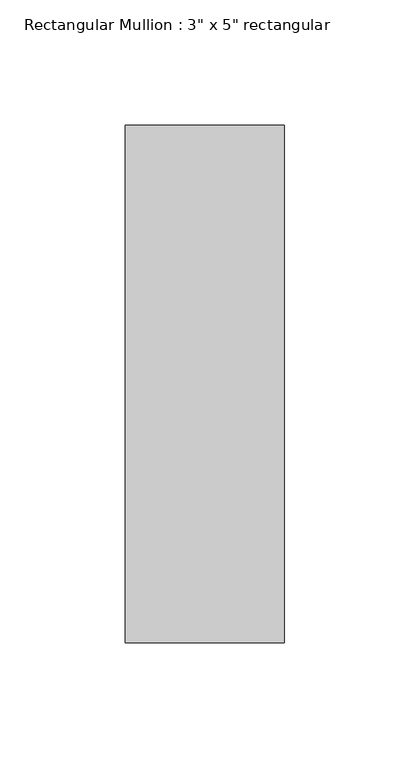
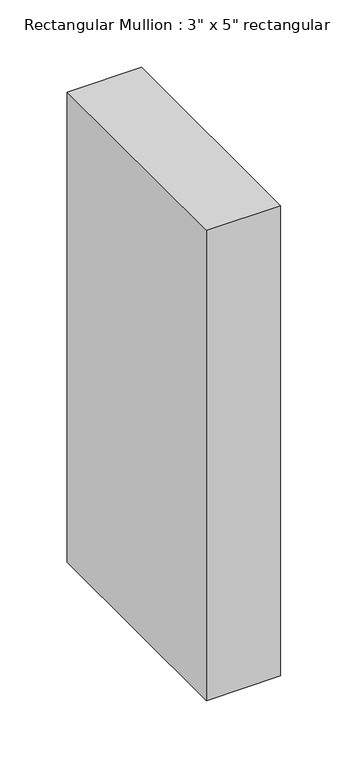
"""IFC4 building model written with IfcOpenShell, lengths in millimetres: member geometry."""

import ifcopenshell
import ifcopenshell.guid

model = None  # the IFC model being written
_history = None  # IfcOwnerHistory: only IFC2X3 demands one
_inside = {}  # id of a spatial element -> (the spatial element, [elements in it])
_under = {}  # id of a project, library or spatial element -> (it, [spatial elements below it])
_declared = {}  # id of a project -> (the project, [libraries it declares])
_typed = {}  # id of a type object -> (the type object, [elements of that type])
_made_of = {}  # id of a material, layer set ... -> (it, [elements and type objects made of it])


def new_model(schema):
    """Start an empty IFC model of exactly this schema.

    Asked for "IFC4X3", IfcOpenShell would pick the latest addendum, in which some entities
    have other attributes; the version numbers below select the first issue.
    IFC2X3 requires an IfcOwnerHistory on every rooted entity: one is made here for all.
    """
    global model, _history
    if schema == "IFC4X3":
        model = ifcopenshell.file(schema_version=(4, 3, 0, 0))
    else:
        model = ifcopenshell.file(schema=schema)
    _inside.clear()
    _under.clear()
    _declared.clear()
    _typed.clear()
    _made_of.clear()
    _history = None
    if model.schema == "IFC2X3":
        org = make("IfcOrganization", Name="unknown")
        user = make(
            "IfcPersonAndOrganization",
            ThePerson=make("IfcPerson", FamilyName="unknown"),
            TheOrganization=org,
        )
        app = make(
            "IfcApplication",
            ApplicationDeveloper=org,
            Version="unknown",
            ApplicationFullName="unknown",
            ApplicationIdentifier="unknown",
        )
        _history = make(
            "IfcOwnerHistory",
            OwningUser=user,
            OwningApplication=app,
            ChangeAction="ADDED",
            CreationDate=0,
        )
    return model


def make(cls, **values):
    """One entity of the class cls with the attributes given. An attribute that is None is left unset."""
    return model.create_entity(
        cls, **{name: value for name, value in values.items() if value is not None}
    )


def rooted(cls, **values):
    """An entity with a GlobalId (a new one), such as an element, a storey or a relation."""
    return make(cls, GlobalId=ifcopenshell.guid.new(), OwnerHistory=_history, **values)


def si_unit(unit_type, name, prefix=None):
    """IfcSIUnit, for example si_unit("LENGTHUNIT", "METRE", prefix="MILLI")."""
    return make("IfcSIUnit", UnitType=unit_type, Prefix=prefix, Name=name)


def assignment(units):
    """IfcUnitAssignment: the units of a project."""
    return None if units is None else make("IfcUnitAssignment", Units=units)


def point(xyz):
    """IfcCartesianPoint."""
    return None if xyz is None else make("IfcCartesianPoint", Coordinates=xyz)


def direction(xyz):
    """IfcDirection."""
    return None if xyz is None else make("IfcDirection", DirectionRatios=xyz)


def frame(location, z_axis=None, x_axis=None):
    """IfcAxis2Placement3D, a coordinate frame: its origin and axes. An axis left out is left unset."""
    return make(
        "IfcAxis2Placement3D",
        Location=point(location),
        Axis=direction(z_axis),
        RefDirection=direction(x_axis),
    )


def origin():
    """The frame at (0, 0, 0) with its axes left unset."""
    return frame((0.0, 0.0, 0.0))


def place(relative_to, where):
    """IfcLocalPlacement: puts the frame where relative to a parent placement (None: the world)."""
    return make(
        "IfcLocalPlacement", PlacementRelTo=relative_to, RelativePlacement=where
    )


def context(
    kind, dimensions, precision=None, world=None, true_north=None, identifier=None
):
    """IfcGeometricRepresentationContext, for example the 3D "Model" context."""
    return make(
        "IfcGeometricRepresentationContext",
        ContextIdentifier=identifier,
        ContextType=kind,
        CoordinateSpaceDimension=dimensions,
        Precision=precision,
        WorldCoordinateSystem=world,
        TrueNorth=true_north,
    )


def project(units=None, contexts=None):
    """IfcProject with its units and contexts."""
    return rooted(
        "IfcProject",
        Name="project",
        RepresentationContexts=contexts,
        UnitsInContext=assignment(units),
    )


def spatial(cls, under=None, at=None, **own):
    """A site, building, storey or space (cls), placed at a placement, below another one or the project."""
    s = rooted(cls, ObjectPlacement=at, **own)
    if under is not None:
        _under.setdefault(under.id(), (under, []))[1].append(s)
    return s


def polyline(points):
    """IfcPolyline through the points."""
    return make("IfcPolyline", Points=[point(p) for p in points])


def outline(outer, holes=None, kind="AREA"):
    """IfcArbitraryClosedProfileDef: a profile drawn as a closed curve; with holes, ...WithVoids."""
    if holes is None:
        return make("IfcArbitraryClosedProfileDef", ProfileType=kind, OuterCurve=outer)
    return make(
        "IfcArbitraryProfileDefWithVoids",
        ProfileType=kind,
        OuterCurve=outer,
        InnerCurves=holes,
    )


def extrude(swept, where, along, depth):
    """IfcExtrudedAreaSolid: the profile swept, set in the frame where, extruded along a direction by depth."""
    return make(
        "IfcExtrudedAreaSolid",
        SweptArea=swept,
        Position=where,
        ExtrudedDirection=direction(along),
        Depth=depth,
    )


def shape(context_of_items, identifier, shape_type, items):
    """IfcShapeRepresentation: the items that make up one representation, for example the "Body"."""
    return make(
        "IfcShapeRepresentation",
        ContextOfItems=context_of_items,
        RepresentationIdentifier=identifier,
        RepresentationType=shape_type,
        Items=items,
    )


def source(mapping_origin, context_of_items, identifier, shape_type, items):
    """IfcRepresentationMap: a shape defined once, which mapped items show again and again."""
    return make(
        "IfcRepresentationMap",
        MappingOrigin=mapping_origin,
        MappedRepresentation=shape(context_of_items, identifier, shape_type, items),
    )


def transform(
    local_origin,
    x_axis=None,
    y_axis=None,
    z_axis=None,
    scale=None,
    scale2=None,
    scale3=None,
    uniform=True,
):
    """IfcCartesianTransformationOperator3D, or its non-uniform kind. x_axis, y_axis, z_axis: its Axis1, 2, 3."""
    if uniform:
        return make(
            "IfcCartesianTransformationOperator3D",
            Axis1=direction(x_axis),
            Axis2=direction(y_axis),
            LocalOrigin=point(local_origin),
            Scale=scale,
            Axis3=direction(z_axis),
        )
    return make(
        "IfcCartesianTransformationOperator3DnonUniform",
        Axis1=direction(x_axis),
        Axis2=direction(y_axis),
        LocalOrigin=point(local_origin),
        Scale=scale,
        Axis3=direction(z_axis),
        Scale2=scale2,
        Scale3=scale3,
    )


def mapped(mapping_source, mapping_target):
    """IfcMappedItem: shows the shape of a source again, moved by a transform."""
    return make(
        "IfcMappedItem", MappingSource=mapping_source, MappingTarget=mapping_target
    )


def made_of(thing, what):
    """Note that an element or type object is made of a material, layer set ...; save() writes the relation."""
    if what is not None:
        _made_of.setdefault(what.id(), (what, []))[1].append(thing)
    return thing


def element(
    cls,
    number,
    at=None,
    inside=None,
    cuts=None,
    type_object=None,
    material=None,
    context=None,
    identifier="Body",
    shape_type=None,
    held_by="IfcProductDefinitionShape",
    body=None,
    shapes=None,
    **own,
):
    """One element of the class cls, such as IfcWall. Its Tag is "e" and its number.

    at: its placement. inside: the storey or other place that contains it. cuts: it is an
    opening in that element (IfcRelVoidsElement). A single representation is given by context,
    identifier, shape_type and body (its items); several are given by shapes. held_by: the class
    of the entity that holds the representations. save() writes the other relations.
    """
    e = rooted(cls, Tag="e%d" % number, ObjectPlacement=at, **own)
    if body is not None:
        shapes = [shape(context, identifier, shape_type, body)]
    if shapes is not None:
        e.Representation = make(held_by, Representations=shapes)
    if inside is not None:
        _inside.setdefault(inside.id(), (inside, []))[1].append(e)
    if cuts is not None:
        rooted(
            "IfcRelVoidsElement", RelatingBuildingElement=cuts, RelatedOpeningElement=e
        )
    if type_object is not None:
        _typed.setdefault(type_object.id(), (type_object, []))[1].append(e)
    return made_of(e, material)


def aggregate(whole, parts):
    """IfcRelAggregates: a whole, such as a stair, and the parts it consists of."""
    return rooted("IfcRelAggregates", RelatingObject=whole, RelatedObjects=parts)


def save(model, path):
    """Write the relations noted so far, then the file.

    IfcRelAggregates (storeys below a building ...), IfcRelContainedInSpatialStructure (elements
    in a storey), IfcRelDefinesByType, IfcRelAssociatesMaterial and IfcRelDeclares: one each for
    every whole, place, type object, material and project.
    """
    for whole, parts in _under.values():
        aggregate(whole, parts)
    for where, things in _inside.values():
        rooted(
            "IfcRelContainedInSpatialStructure",
            RelatedElements=things,
            RelatingStructure=where,
        )
    for kind, things in _typed.values():
        rooted("IfcRelDefinesByType", RelatedObjects=things, RelatingType=kind)
    for what, things in _made_of.values():
        rooted("IfcRelAssociatesMaterial", RelatedObjects=things, RelatingMaterial=what)
    for by, libraries in _declared.values():
        rooted("IfcRelDeclares", RelatingContext=by, RelatedDefinitions=libraries)
    model.write(path)


def member_2a2b63cf(model_context):
    return source(origin(), model_context, "Body", "SweptSolid", [
        extrude(outline(polyline([(31.75, 90.551), (31.75, -115.951), (-31.75, -115.951), (-31.75, 90.551), (31.75, 90.551)])), frame((0.0, 0.0, -425.45), z_axis=(0.0, 0.0, 1.0), x_axis=(1.0, 0.0, 0.0)), (0.0, 0.0, 1.0), 425.45),
    ])


if __name__ == "__main__":
    model = new_model("IFC4")
    model_context = context("Model", 3, world=origin())
    ifc_project = project(units=[si_unit("LENGTHUNIT", "METRE", prefix="MILLI")], contexts=[model_context])
    site = spatial("IfcSite", under=ifc_project)
    building = spatial("IfcBuilding", under=site)
    placement = place(None, origin())
    member_shape = member_2a2b63cf(model_context)
    element("IfcMember", 1, ObjectType="Rectangular Mullion : 3\" x 5\" rectangular", at=placement, inside=building, context=model_context, shape_type="MappedRepresentation", body=[
        mapped(member_shape, transform((0.0, 0.0, 0.0), x_axis=(1.0, 0.0, 0.0), y_axis=(0.0, 1.0, 0.0), z_axis=(0.0, 0.0, 1.0))),
    ])
    save(model, "model.ifc")
